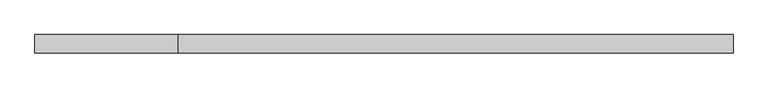
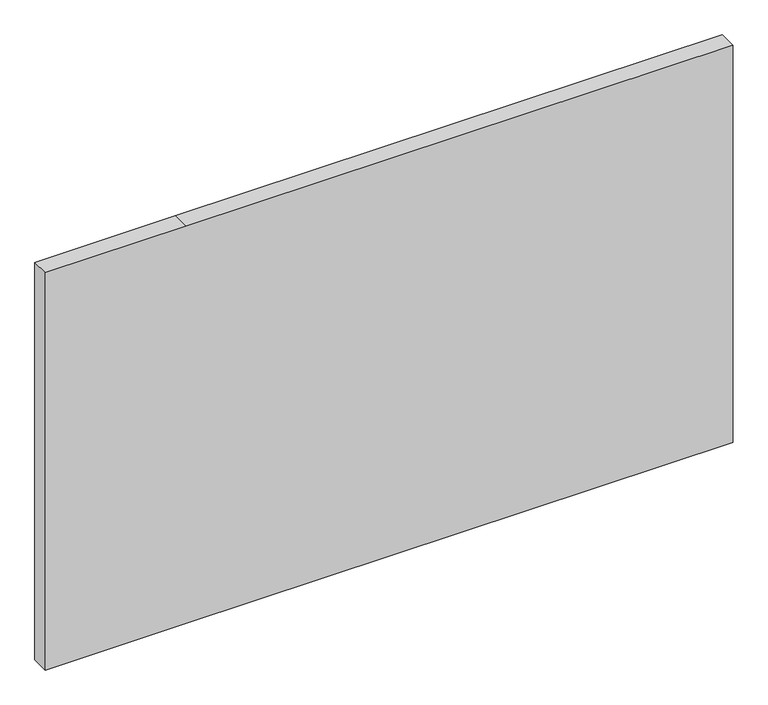
"""IFC4 building model written with IfcOpenShell, lengths in millimetres: plate geometry."""

from ifc_helpers import new_model, si_unit, frame, origin, place, context, project, spatial, polyline, outline, extrude, source, transform, mapped, element, save


def plate_efe97814(model_context):
    return source(origin(), model_context, "Body", "SweptSolid", [
        extrude(outline(polyline([(0.0, -670.9320652), (0.0, -395.7065217), (0.0, 670.9320652), (820.0, 670.9320652), (820.0, -395.7065217), (820.0, -670.9320652), (0.0, -670.9320652)])), frame((0.0, -17.5, 0.0), z_axis=(0.0, 1.0, 0.0), x_axis=(0.0, 0.0, 1.0)), (0.0, 0.0, 1.0), 35.0),
    ])


if __name__ == "__main__":
    model = new_model("IFC4")
    model_context = context("Model", 3, world=origin())
    ifc_project = project(units=[si_unit("LENGTHUNIT", "METRE", prefix="MILLI")], contexts=[model_context])
    site = spatial("IfcSite", under=ifc_project)
    building = spatial("IfcBuilding", under=site)
    placement = place(None, origin())
    plate_shape = plate_efe97814(model_context)
    element("IfcPlate", 1, at=placement, inside=building, context=model_context, shape_type="MappedRepresentation", body=[
        mapped(plate_shape, transform((0.0, 0.0, 0.0), x_axis=(1.0, 0.0, 0.0), y_axis=(0.0, 1.0, 0.0), z_axis=(0.0, 0.0, 1.0))),
    ])
    save(model, "model.ifc")
